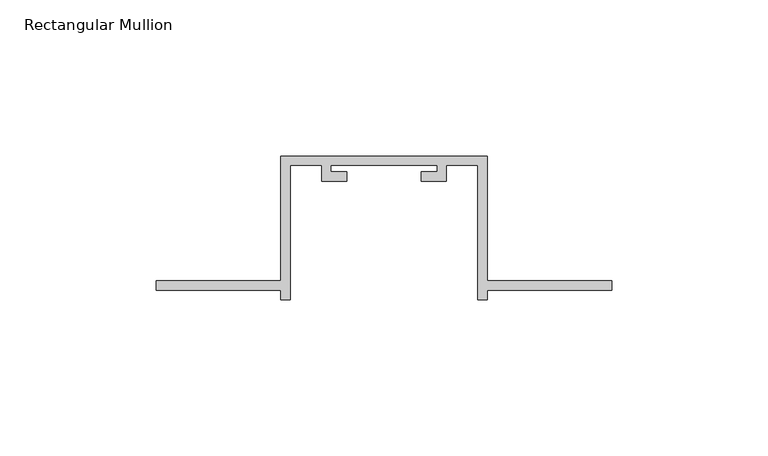
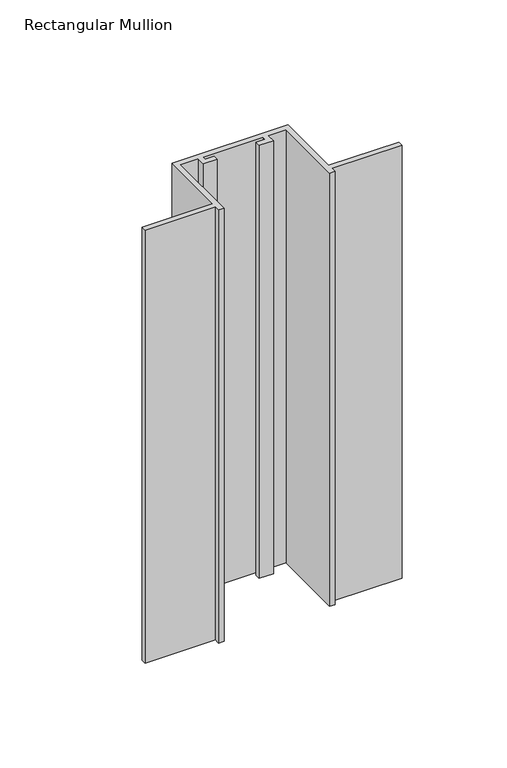
"""IFC4 building model written with IfcOpenShell, lengths in millimetres: member geometry, Rectangular Mullion."""

from ifc_helpers import new_model, si_unit, frame, origin, place, context, project, spatial, polyline, outline, extrude, source, transform, mapped, element, save


def rectangular_mullion_77b8e6e4(model_context):
    return source(origin(), model_context, "Body", "SweptSolid", [
        extrude(outline(polyline([(-106.0, -132.0), (-146.0, -132.0), (-146.0, -129.0), (-106.0, -129.0), (-106.0, -89.0), (-40.0, -89.0), (-40.0, -129.0), (0.0, -129.0), (0.0, -132.0), (-40.0, -132.0), (-40.0, -135.0), (-43.0, -135.0), (-43.0, -92.0), (-53.0, -92.0), (-53.0, -97.0), (-61.0, -97.0), (-61.0, -94.0), (-56.0, -94.0), (-56.0, -92.0), (-90.0, -92.0), (-90.0, -94.0), (-85.0, -94.0), (-85.0, -97.0), (-93.0, -97.0), (-93.0, -92.0), (-103.0, -92.0), (-103.0, -135.0), (-106.0, -135.0), (-106.0, -132.0)])), frame((0.0, 0.0, -260.0), z_axis=(0.0, 0.0, 1.0), x_axis=(1.0, 0.0, 0.0)), (0.0, 0.0, 1.0), 260.0),
    ])


if __name__ == "__main__":
    model = new_model("IFC4")
    model_context = context("Model", 3, world=origin())
    ifc_project = project(units=[si_unit("LENGTHUNIT", "METRE", prefix="MILLI")], contexts=[model_context])
    site = spatial("IfcSite", under=ifc_project)
    building = spatial("IfcBuilding", under=site)
    placement = place(None, origin())
    rectangular_mullion_shape = rectangular_mullion_77b8e6e4(model_context)
    element("IfcMember", 1, ObjectType="Rectangular Mullion", at=placement, inside=building, context=model_context, shape_type="MappedRepresentation", body=[
        mapped(rectangular_mullion_shape, transform((0.0, 0.0, 0.0), x_axis=(1.0, 0.0, 0.0), y_axis=(0.0, 1.0, 0.0), z_axis=(0.0, 0.0, 1.0))),
    ])
    save(model, "model.ifc")
